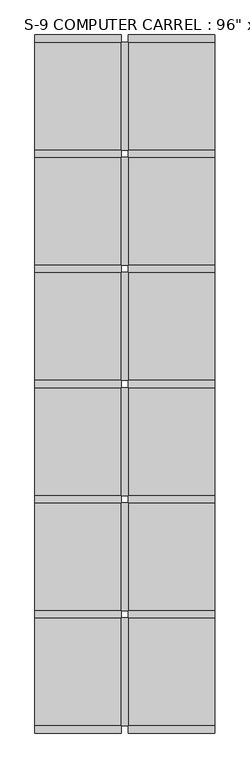
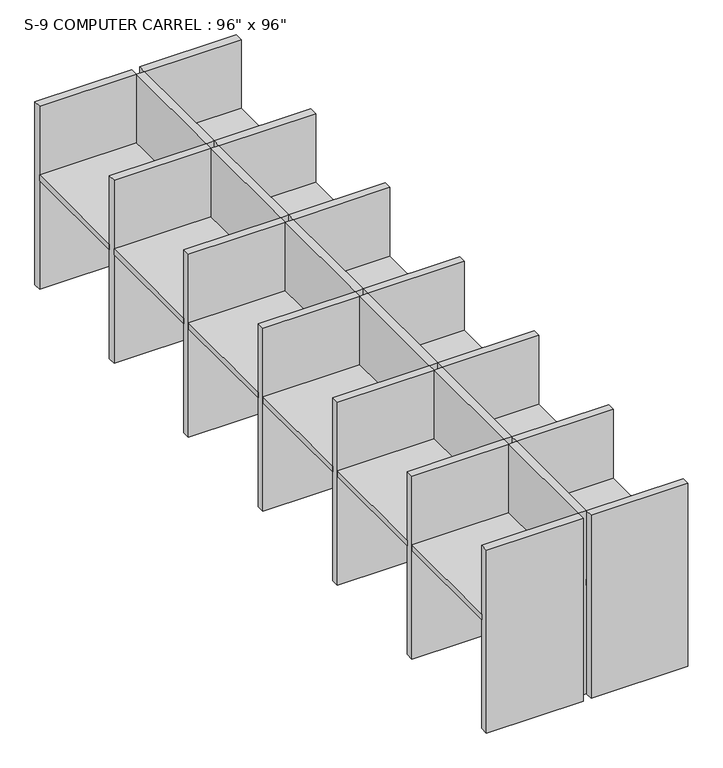
"""IFC4 building model written with IfcOpenShell, lengths in millimetres: furniture geometry."""

from ifc_helpers import new_model, si_unit, frame, origin, origin_with_axes, place, context, project, spatial, polyline, outline, extrude, source, transform, mapped, element, save


def furniture_dd1330ea(model_context):
    return source(origin(), model_context, "Body", "SweptSolid", [
        extrude(outline(polyline([(-741.3317522, -2171.4230076), (-741.3317522, -1409.4230076), (-131.7317522, -1409.4230076), (-131.7317522, -2171.4230076), (-741.3317522, -2171.4230076)])), frame((0.0, 0.0, 723.9), z_axis=(0.0, 0.0, 1.0), x_axis=(1.0, 0.0, 0.0)), (0.0, 0.0, 1.0), 38.1),
        extrude(outline(polyline([(-741.3317522, -6235.4230076), (-741.3317522, -5473.4230076), (-131.7317522, -5473.4230076), (-131.7317522, -6235.4230076), (-741.3317522, -6235.4230076)])), frame((0.0, 0.0, 723.9), z_axis=(0.0, 0.0, 1.0), x_axis=(1.0, 0.0, 0.0)), (0.0, 0.0, 1.0), 38.1),
        extrude(outline(polyline([(-741.3317522, -4660.6230076), (-131.7317522, -4660.6230076), (-131.7317522, -5422.6230076), (-741.3317522, -5422.6230076), (-741.3317522, -4660.6230076)])), frame((0.0, 0.0, 723.9), z_axis=(0.0, 0.0, 1.0), x_axis=(1.0, 0.0, 0.0)), (0.0, 0.0, 1.0), 38.1),
        extrude(outline(polyline([(-741.3317522, -4609.8230076), (-741.3317522, -3847.8230076), (-131.7317522, -3847.8230076), (-131.7317522, -4609.8230076), (-741.3317522, -4609.8230076)])), frame((0.0, 0.0, 723.9), z_axis=(0.0, 0.0, 1.0), x_axis=(1.0, 0.0, 0.0)), (0.0, 0.0, 1.0), 38.1),
        extrude(outline(polyline([(-741.3317522, -3035.0230076), (-131.7317522, -3035.0230076), (-131.7317522, -3797.0230076), (-741.3317522, -3797.0230076), (-741.3317522, -3035.0230076)])), frame((0.0, 0.0, 723.9), z_axis=(0.0, 0.0, 1.0), x_axis=(1.0, 0.0, 0.0)), (0.0, 0.0, 1.0), 38.1),
        extrude(outline(polyline([(-741.3317522, -2984.2230076), (-741.3317522, -2222.2230076), (-131.7317522, -2222.2230076), (-131.7317522, -2984.2230076), (-741.3317522, -2984.2230076)])), frame((0.0, 0.0, 723.9), z_axis=(0.0, 0.0, 1.0), x_axis=(1.0, 0.0, 0.0)), (0.0, 0.0, 1.0), 38.1),
        extrude(outline(polyline([(528.6682478, -2171.4230076), (-80.9317522, -2171.4230076), (-80.9317522, -1409.4230076), (528.6682478, -1409.4230076), (528.6682478, -2171.4230076)])), frame((0.0, 0.0, 723.9), z_axis=(0.0, 0.0, 1.0), x_axis=(1.0, 0.0, 0.0)), (0.0, 0.0, 1.0), 38.1),
        extrude(outline(polyline([(528.6682478, -6235.4230076), (-80.9317522, -6235.4230076), (-80.9317522, -5473.4230076), (528.6682478, -5473.4230076), (528.6682478, -6235.4230076)])), frame((0.0, 0.0, 723.9), z_axis=(0.0, 0.0, 1.0), x_axis=(1.0, 0.0, 0.0)), (0.0, 0.0, 1.0), 38.1),
        extrude(outline(polyline([(528.6682478, -4660.6230076), (528.6682478, -5422.6230076), (-80.9317522, -5422.6230076), (-80.9317522, -4660.6230076), (528.6682478, -4660.6230076)])), frame((0.0, 0.0, 723.9), z_axis=(0.0, 0.0, 1.0), x_axis=(1.0, 0.0, 0.0)), (0.0, 0.0, 1.0), 38.1),
        extrude(outline(polyline([(528.6682478, -4609.8230076), (-80.9317522, -4609.8230076), (-80.9317522, -3847.8230076), (528.6682478, -3847.8230076), (528.6682478, -4609.8230076)])), frame((0.0, 0.0, 723.9), z_axis=(0.0, 0.0, 1.0), x_axis=(1.0, 0.0, 0.0)), (0.0, 0.0, 1.0), 38.1),
        extrude(outline(polyline([(528.6682478, -3035.0230076), (528.6682478, -3797.0230076), (-80.9317522, -3797.0230076), (-80.9317522, -3035.0230076), (528.6682478, -3035.0230076)])), frame((0.0, 0.0, 723.9), z_axis=(0.0, 0.0, 1.0), x_axis=(1.0, 0.0, 0.0)), (0.0, 0.0, 1.0), 38.1),
        extrude(outline(polyline([(528.6682478, -2984.2230076), (-80.9317522, -2984.2230076), (-80.9317522, -2222.2230076), (528.6682478, -2222.2230076), (528.6682478, -2984.2230076)])), frame((0.0, 0.0, 723.9), z_axis=(0.0, 0.0, 1.0), x_axis=(1.0, 0.0, 0.0)), (0.0, 0.0, 1.0), 38.1),
        extrude(outline(polyline([(-741.3317522, -1409.4230076), (-741.3317522, -1358.6230076), (-131.7317522, -1358.6230076), (-131.7317522, -1409.4230076), (-741.3317522, -1409.4230076)])), origin_with_axes(), (0.0, 0.0, 1.0), 1219.2),
        extrude(outline(polyline([(-741.3317522, -6235.4230076), (-131.7317522, -6235.4230076), (-131.7317522, -6286.2230076), (-741.3317522, -6286.2230076), (-741.3317522, -6235.4230076)])), origin_with_axes(), (0.0, 0.0, 1.0), 1219.2),
        extrude(outline(polyline([(-741.3317522, -5422.6230076), (-131.7317522, -5422.6230076), (-131.7317522, -5473.4230076), (-741.3317522, -5473.4230076), (-741.3317522, -5422.6230076)])), origin_with_axes(), (0.0, 0.0, 1.0), 1219.2),
        extrude(outline(polyline([(-741.3317522, -4609.8230076), (-131.7317522, -4609.8230076), (-131.7317522, -4660.6230076), (-741.3317522, -4660.6230076), (-741.3317522, -4609.8230076)])), origin_with_axes(), (0.0, 0.0, 1.0), 1219.2),
        extrude(outline(polyline([(-741.3317522, -3797.0230076), (-131.7317522, -3797.0230076), (-131.7317522, -3847.8230076), (-741.3317522, -3847.8230076), (-741.3317522, -3797.0230076)])), origin_with_axes(), (0.0, 0.0, 1.0), 1219.2),
        extrude(outline(polyline([(-741.3317522, -2222.2230076), (-741.3317522, -2171.4230076), (-131.7317522, -2171.4230076), (-131.7317522, -2222.2230076), (-741.3317522, -2222.2230076)])), origin_with_axes(), (0.0, 0.0, 1.0), 1219.2),
        extrude(outline(polyline([(-741.3317522, -2984.2230076), (-131.7317522, -2984.2230076), (-131.7317522, -3035.0230076), (-741.3317522, -3035.0230076), (-741.3317522, -2984.2230076)])), origin_with_axes(), (0.0, 0.0, 1.0), 1219.2),
        extrude(outline(polyline([(-80.9317522, -1409.4230076), (-80.9317522, -2171.4230076), (-131.7317522, -2171.4230076), (-131.7317522, -1409.4230076), (-80.9317522, -1409.4230076)])), origin_with_axes(), (0.0, 0.0, 1.0), 1219.2),
        extrude(outline(polyline([(528.6682478, -1409.4230076), (-80.9317522, -1409.4230076), (-80.9317522, -1358.6230076), (528.6682478, -1358.6230076), (528.6682478, -1409.4230076)])), origin_with_axes(), (0.0, 0.0, 1.0), 1219.2),
        extrude(outline(polyline([(-80.9317522, -5473.4230076), (-80.9317522, -6235.4230076), (-131.7317522, -6235.4230076), (-131.7317522, -5473.4230076), (-80.9317522, -5473.4230076)])), origin_with_axes(), (0.0, 0.0, 1.0), 1219.2),
        extrude(outline(polyline([(528.6682478, -6235.4230076), (528.6682478, -6286.2230076), (-80.9317522, -6286.2230076), (-80.9317522, -6235.4230076), (528.6682478, -6235.4230076)])), origin_with_axes(), (0.0, 0.0, 1.0), 1219.2),
        extrude(outline(polyline([(-80.9317522, -5422.6230076), (-131.7317522, -5422.6230076), (-131.7317522, -4660.6230076), (-80.9317522, -4660.6230076), (-80.9317522, -5422.6230076)])), origin_with_axes(), (0.0, 0.0, 1.0), 1219.2),
        extrude(outline(polyline([(528.6682478, -5422.6230076), (528.6682478, -5473.4230076), (-80.9317522, -5473.4230076), (-80.9317522, -5422.6230076), (528.6682478, -5422.6230076)])), origin_with_axes(), (0.0, 0.0, 1.0), 1219.2),
        extrude(outline(polyline([(-80.9317522, -3847.8230076), (-80.9317522, -4609.8230076), (-131.7317522, -4609.8230076), (-131.7317522, -3847.8230076), (-80.9317522, -3847.8230076)])), origin_with_axes(), (0.0, 0.0, 1.0), 1219.2),
        extrude(outline(polyline([(528.6682478, -4609.8230076), (528.6682478, -4660.6230076), (-80.9317522, -4660.6230076), (-80.9317522, -4609.8230076), (528.6682478, -4609.8230076)])), origin_with_axes(), (0.0, 0.0, 1.0), 1219.2),
        extrude(outline(polyline([(-80.9317522, -3797.0230076), (-131.7317522, -3797.0230076), (-131.7317522, -3035.0230076), (-80.9317522, -3035.0230076), (-80.9317522, -3797.0230076)])), origin_with_axes(), (0.0, 0.0, 1.0), 1219.2),
        extrude(outline(polyline([(528.6682478, -3797.0230076), (528.6682478, -3847.8230076), (-80.9317522, -3847.8230076), (-80.9317522, -3797.0230076), (528.6682478, -3797.0230076)])), origin_with_axes(), (0.0, 0.0, 1.0), 1219.2),
        extrude(outline(polyline([(-80.9317522, -2222.2230076), (-80.9317522, -2984.2230076), (-131.7317522, -2984.2230076), (-131.7317522, -2222.2230076), (-80.9317522, -2222.2230076)])), origin_with_axes(), (0.0, 0.0, 1.0), 1219.2),
        extrude(outline(polyline([(528.6682478, -2222.2230076), (-80.9317522, -2222.2230076), (-80.9317522, -2171.4230076), (528.6682478, -2171.4230076), (528.6682478, -2222.2230076)])), origin_with_axes(), (0.0, 0.0, 1.0), 1219.2),
        extrude(outline(polyline([(528.6682478, -2984.2230076), (528.6682478, -3035.0230076), (-80.9317522, -3035.0230076), (-80.9317522, -2984.2230076), (528.6682478, -2984.2230076)])), origin_with_axes(), (0.0, 0.0, 1.0), 1219.2),
    ])


if __name__ == "__main__":
    model = new_model("IFC4")
    model_context = context("Model", 3, world=origin())
    ifc_project = project(units=[si_unit("LENGTHUNIT", "METRE", prefix="MILLI")], contexts=[model_context])
    site = spatial("IfcSite", under=ifc_project)
    building = spatial("IfcBuilding", under=site)
    placement = place(None, origin())
    furniture_shape = furniture_dd1330ea(model_context)
    element("IfcFurniture", 1, ObjectType="S-9 COMPUTER CARREL : 96\" x 96\"", at=placement, inside=building, context=model_context, shape_type="MappedRepresentation", body=[
        mapped(furniture_shape, transform((0.0, 0.0, 0.0), x_axis=(1.0, 0.0, 0.0), y_axis=(0.0, 1.0, 0.0), z_axis=(0.0, 0.0, 1.0))),
    ])
    save(model, "model.ifc")
